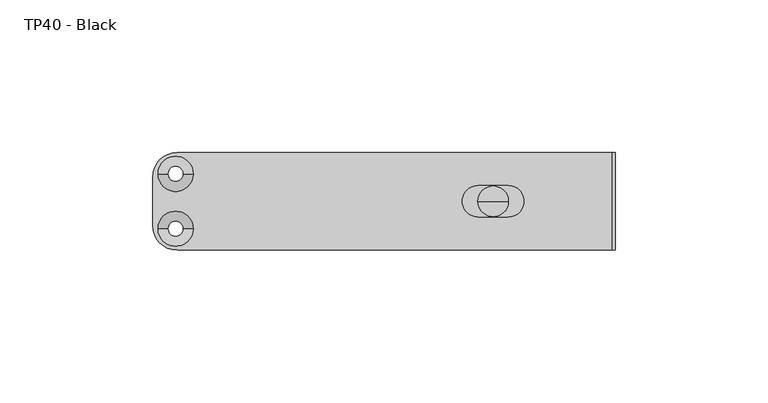
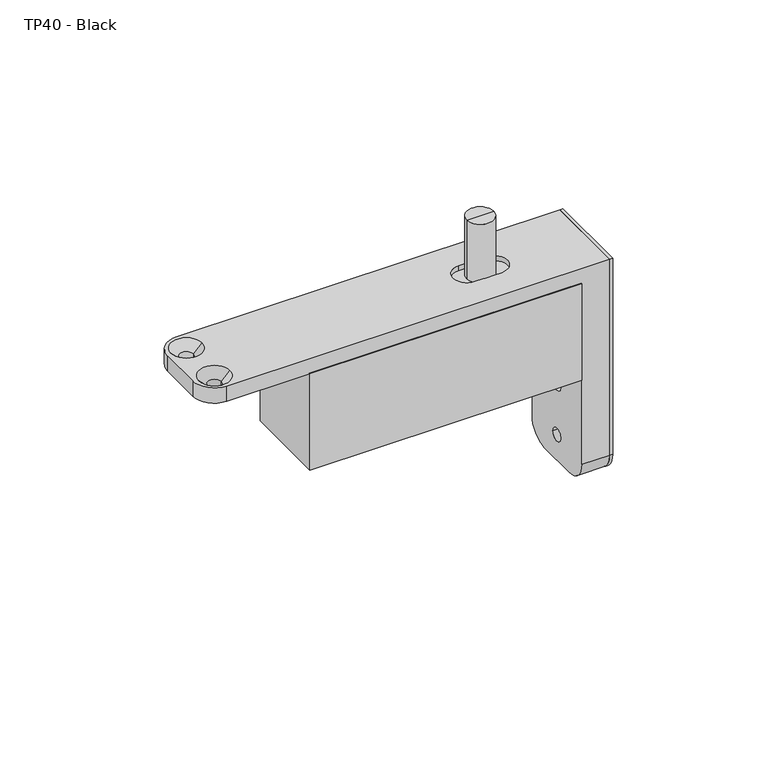
"""IFC4 building model written with IfcOpenShell, lengths in millimetres: proxy geometry, TP40 - Black."""

from ifc_helpers import new_model, si_unit, point, frame, frame_2d, origin, place, context, project, spatial, polyline, circle_curve, trimmed, segment, composite_curve, outline, extrude, source, transform, mapped, element, save
from ifc_brep_helpers import plane_surface, cylinder_surface, revolved_surface, advanced_brep


def tp40_black_4995a148(model_context):
    return source(origin(), model_context, "Body", "SolidModel", [
        extrude(outline(composite_curve([segment(polyline([(-16.0, 0.0), (16.0, 0.0), (16.0, -77.0)]), True, "CONTINUOUS"), segment(trimmed(circle_curve(frame_2d((8.0, -77.0)), 8.0), [point((16.0, -77.0))], [point((8.0, -85.0))], False, "CARTESIAN"), True, "CONTINUOUS"), segment(polyline([(8.0, -85.0), (-8.0, -85.0)]), True, "CONTINUOUS"), segment(trimmed(circle_curve(frame_2d((-8.0, -77.0)), 8.0), [point((-8.0, -85.0))], [point((-16.0, -77.0))], False, "CARTESIAN"), True, "CONTINUOUS"), segment(polyline([(-16.0, -77.0), (-16.0, 0.0)]), True, "CONTINUOUS")], self_intersect=False)), frame((39.0, 0.0, 0.0), z_axis=(1.0, 0.0, 0.0), x_axis=(0.0, 1.0, 0.0)), (0.0, 0.0, 1.0), 1.0),
        extrude(outline(polyline([(28.5, -16.0), (-72.5, -16.0), (-72.5, 16.0), (28.5, 16.0), (28.5, -16.0)])), frame((0.0, 0.0, -44.0), z_axis=(0.0, 0.0, 1.0), x_axis=(1.0, 0.0, 0.0)), (0.0, 0.0, 1.0), 38.0),
        advanced_brep(
        [(5.0, 0.0, -2.0), (-5.0, 0.0, -2.0), (-5.0, 0.0, 21.0), (5.0, 0.0, 21.0), (0.0, 0.0, -2.0), (0.0, 0.0, 21.0)],
        [
            (0, 1, circle_curve(frame((0.0, 0.0, -2.0), z_axis=(0.0, 0.0, 1.0), x_axis=(-1.0, 0.0, 0.0)), 5.0)),
            (1, 2),
            (2, 3, circle_curve(frame((0.0, 0.0, 21.0), z_axis=(0.0, 0.0, -1.0), x_axis=(-1.0, 0.0, 0.0)), 5.0)),
            (3, 0),
            (1, 0, circle_curve(frame((0.0, 0.0, -2.0), z_axis=(0.0, 0.0, 1.0), x_axis=(-1.0, 0.0, 0.0)), 5.0)),
            (3, 2, circle_curve(frame((0.0, 0.0, 21.0), z_axis=(0.0, 0.0, -1.0), x_axis=(-1.0, 0.0, 0.0)), 5.0)),
            (4, 1),
            (0, 4),
            (2, 5),
            (5, 3),
        ],
        [
            cylinder_surface(frame((0.0, 0.0, 29.4005806), z_axis=(0.0, 0.0, -1.0), x_axis=(-1.0, 0.0, 0.0)), 5.0),
            plane_surface(frame((0.0, 0.0, -2.0), z_axis=(0.0, 0.0, -1.0), x_axis=(-1.0, 0.0, 0.0))),
            plane_surface(frame((0.0, 0.0, 21.0), z_axis=(0.0, 0.0, 1.0), x_axis=(-1.0, 0.0, 0.0))),
        ],
        [
            (0, [[1, 2, 3, 4]]),
            (0, [[5, -4, 6, -2]]),
            (1, [[7, -1, 8]]),
            (1, [[-8, -5, -7]]),
            (2, [[-3, 9, 10]]),
            (2, [[-6, -10, -9]]),
        ],
    ),
        advanced_brep(
        [(-103.5, -16.0, -6.0), (28.5, -16.0, -6.0), (28.5, -16.0, -77.0), (39.0, -16.0, -77.0), (39.0, -16.0, 0.0), (-103.5, -16.0, 0.0), (-103.5, 16.0, 0.0), (39.0, 16.0, 0.0), (39.0, 16.0, -77.0), (28.5, 16.0, -77.0), (28.5, 16.0, -6.0), (-103.5, 16.0, -6.0), (-111.5, -8.0, 0.0), (-111.5, 8.0, 0.0), (-111.5, 8.0, -6.0), (-111.5, -8.0, -6.0), (-109.75, 9.0, 0.0), (-98.25, 9.0, 0.0), (-98.25, -9.0, 0.0), (-109.75, -9.0, 0.0), (-5.0, 5.1, 0.0), (5.0, 5.1, 0.0), (5.0, -5.1, 0.0), (-5.0, -5.1, 0.0), (39.0, -8.0, -85.0), (39.0, 8.0, -85.0), (-101.5, 9.0, -6.0), (-106.5, 9.0, -6.0), (-106.5, -9.0, -6.0), (-101.5, -9.0, -6.0), (-101.5, 9.0, -3.25), (-106.5, 9.0, -3.25), (-101.5, -9.0, -3.25), (-106.5, -9.0, -3.25), (5.0, 5.1, -2.0), (-5.0, 5.1, -2.0), (-5.0, -5.1, -2.0), (5.0, -5.1, -2.0), (28.5, 8.0, -85.0), (28.5, -8.0, -85.0), (28.5, -2.5, -55.0), (28.5, 2.5, -55.0), (28.5, -2.5, -75.0), (28.5, 2.5, -75.0), (35.7536635, -2.5, -55.0), (35.7536635, 0.0, -55.0), (35.7536635, 2.5, -55.0), (35.7536635, -2.5, -75.0), (35.7536635, 0.0, -75.0), (35.7536635, 2.5, -75.0)],
        [
            (0, 1),
            (1, 2),
            (2, 3),
            (3, 4),
            (4, 5),
            (5, 0),
            (6, 7),
            (7, 8),
            (8, 9),
            (9, 10),
            (10, 11),
            (11, 6),
            (12, 13),
            (13, 14),
            (14, 15),
            (15, 12),
            (4, 7),
            (6, 13, circle_curve(frame((-103.5, 8.0, 0.0), z_axis=(0.0, 0.0, 1.0), x_axis=(0.0, -1.0, 0.0)), 8.0)),
            (12, 5, circle_curve(frame((-103.5, -8.0, 0.0), z_axis=(0.0, 0.0, 1.0), x_axis=(0.0, -1.0, 0.0)), 8.0)),
            (16, 17, circle_curve(frame((-104.0, 9.0, 0.0), z_axis=(0.0, 0.0, -1.0), x_axis=(-1.0, 0.0, 0.0)), 5.75)),
            (17, 16, circle_curve(frame((-104.0, 9.0, 0.0), z_axis=(0.0, 0.0, -1.0), x_axis=(-1.0, 0.0, 0.0)), 5.75)),
            (18, 19, circle_curve(frame((-104.0, -9.0, 0.0), z_axis=(0.0, 0.0, -1.0), x_axis=(-1.0, 0.0, 0.0)), 5.75)),
            (19, 18, circle_curve(frame((-104.0, -9.0, 0.0), z_axis=(0.0, 0.0, -1.0), x_axis=(-1.0, 0.0, 0.0)), 5.75)),
            (20, 21),
            (21, 22, circle_curve(frame((5.0, 0.0, 0.0), z_axis=(0.0, 0.0, -1.0), x_axis=(0.0, -1.0, 0.0)), 5.1)),
            (22, 23),
            (23, 20, circle_curve(frame((-5.0, 0.0, 0.0), z_axis=(0.0, 0.0, -1.0), x_axis=(0.0, -1.0, 0.0)), 5.1)),
            (3, 24, circle_curve(frame((39.0, -8.0, -77.0), z_axis=(1.0, 0.0, 0.0), x_axis=(0.0, 0.0, -1.0)), 8.0)),
            (24, 25),
            (25, 8, circle_curve(frame((39.0, 8.0, -77.0), z_axis=(1.0, 0.0, 0.0), x_axis=(0.0, 0.0, -1.0)), 8.0)),
            (10, 1),
            (0, 15, circle_curve(frame((-103.5, -8.0, -6.0), z_axis=(0.0, 0.0, -1.0), x_axis=(0.0, -1.0, 0.0)), 8.0)),
            (14, 11, circle_curve(frame((-103.5, 8.0, -6.0), z_axis=(0.0, 0.0, -1.0), x_axis=(0.0, -1.0, 0.0)), 8.0)),
            (26, 27, circle_curve(frame((-104.0, 9.0, -6.0), z_axis=(0.0, 0.0, 1.0), x_axis=(-1.0, 0.0, 0.0)), 2.5)),
            (27, 26, circle_curve(frame((-104.0, 9.0, -6.0), z_axis=(0.0, 0.0, 1.0), x_axis=(-1.0, 0.0, 0.0)), 2.5)),
            (28, 29, circle_curve(frame((-104.0, -9.0, -6.0), z_axis=(0.0, 0.0, 1.0), x_axis=(-1.0, 0.0, 0.0)), 2.5)),
            (29, 28, circle_curve(frame((-104.0, -9.0, -6.0), z_axis=(0.0, 0.0, 1.0), x_axis=(-1.0, 0.0, 0.0)), 2.5)),
            (26, 30),
            (30, 31, circle_curve(frame((-104.0, 9.0, -3.25), z_axis=(0.0, 0.0, 1.0), x_axis=(-1.0, 0.0, 0.0)), 2.5)),
            (31, 27),
            (31, 30, circle_curve(frame((-104.0, 9.0, -3.25), z_axis=(0.0, 0.0, 1.0), x_axis=(-1.0, 0.0, 0.0)), 2.5)),
            (30, 17),
            (16, 31),
            (32, 29),
            (28, 33),
            (33, 32, circle_curve(frame((-104.0, -9.0, -3.25), z_axis=(0.0, 0.0, 1.0), x_axis=(-1.0, 0.0, 0.0)), 2.5)),
            (32, 33, circle_curve(frame((-104.0, -9.0, -3.25), z_axis=(0.0, 0.0, 1.0), x_axis=(-1.0, 0.0, 0.0)), 2.5)),
            (33, 19),
            (18, 32),
            (34, 35),
            (35, 36, circle_curve(frame((-5.0, 0.0, -2.0), z_axis=(0.0, 0.0, 1.0), x_axis=(0.0, -1.0, 0.0)), 5.1)),
            (36, 37),
            (37, 34, circle_curve(frame((5.0, 0.0, -2.0), z_axis=(0.0, 0.0, 1.0), x_axis=(0.0, -1.0, 0.0)), 5.1)),
            (34, 21),
            (20, 35),
            (23, 36),
            (22, 37),
            (9, 38, circle_curve(frame((28.5, 8.0, -77.0), z_axis=(-1.0, 0.0, 0.0), x_axis=(0.0, 0.0, -1.0)), 8.0)),
            (38, 39),
            (39, 2, circle_curve(frame((28.5, -8.0, -77.0), z_axis=(-1.0, 0.0, 0.0), x_axis=(0.0, 0.0, -1.0)), 8.0)),
            (40, 41, circle_curve(frame((28.5, 0.0, -55.0), z_axis=(1.0, 0.0, 0.0), x_axis=(0.0, 1.0, 0.0)), 2.5)),
            (41, 40, circle_curve(frame((28.5, 0.0, -55.0), z_axis=(1.0, 0.0, 0.0), x_axis=(0.0, 1.0, 0.0)), 2.5)),
            (42, 43, circle_curve(frame((28.5, 0.0, -75.0), z_axis=(1.0, 0.0, 0.0), x_axis=(0.0, 1.0, 0.0)), 2.5)),
            (43, 42, circle_curve(frame((28.5, 0.0, -75.0), z_axis=(1.0, 0.0, 0.0), x_axis=(0.0, 1.0, 0.0)), 2.5)),
            (24, 39),
            (38, 25),
            (44, 45),
            (45, 46),
            (46, 44, circle_curve(frame((35.7536635, 0.0, -55.0), z_axis=(-1.0, 0.0, 0.0), x_axis=(0.0, 1.0, 0.0)), 2.5)),
            (44, 46, circle_curve(frame((35.7536635, 0.0, -55.0), z_axis=(-1.0, 0.0, 0.0), x_axis=(0.0, 1.0, 0.0)), 2.5)),
            (46, 41),
            (40, 44),
            (47, 48),
            (48, 49),
            (49, 47, circle_curve(frame((35.7536635, 0.0, -75.0), z_axis=(-1.0, 0.0, 0.0), x_axis=(0.0, 1.0, 0.0)), 2.5)),
            (47, 49, circle_curve(frame((35.7536635, 0.0, -75.0), z_axis=(-1.0, 0.0, 0.0), x_axis=(0.0, 1.0, 0.0)), 2.5)),
            (49, 43),
            (42, 47),
        ],
        [
            plane_surface(frame((-62.0, -16.0, -6.0), z_axis=(0.0, -1.0, 0.0), x_axis=(1.0, 0.0, 0.0))),
            plane_surface(frame((-62.0, 16.0, -6.0), z_axis=(0.0, 1.0, 0.0), x_axis=(-1.0, 0.0, 0.0))),
            plane_surface(frame((-111.5, -16.0, 0.0), z_axis=(-1.0, 0.0, 0.0), x_axis=(0.0, 1.0, 0.0))),
            plane_surface(frame((39.0, -16.0, 0.0), z_axis=(0.0, 0.0, 1.0), x_axis=(0.0, 1.0, 0.0))),
            plane_surface(frame((39.0, -16.0, -85.0), z_axis=(1.0, 0.0, 0.0), x_axis=(0.0, 1.0, 0.0))),
            plane_surface(frame((-111.5, -16.0, -6.0), z_axis=(0.0, 0.0, -1.0), x_axis=(0.0, 1.0, 0.0))),
            cylinder_surface(frame((-103.5, -8.0, -7.0), z_axis=(0.0, 0.0, -1.0), x_axis=(0.0, -1.0, 0.0)), 8.0),
            cylinder_surface(frame((-103.5, 8.0, 0.0), z_axis=(0.0, 0.0, -1.0), x_axis=(0.0, -1.0, 0.0)), 8.0),
            revolved_surface(polyline([(-106.5, 9.0, -6.0), (-106.5, 9.0, -3.2499999999999996)]), (-104.0, 9.0, 2.7351973), (0.0, 0.0, -1.0)),
            revolved_surface(polyline([(-106.5, 9.0, -3.25), (-109.75, 9.0, 0.0)]), (-104.0, 9.0, 2.7351973), (0.0, 0.0, -1.0)),
            revolved_surface(polyline([(-106.5, -9.0, -3.2499999999999996), (-106.5, -9.0, -6.0)]), (-104.0, -9.0, 2.7351973), (0.0, 0.0, 1.0)),
            revolved_surface(polyline([(-109.75, -9.0, 0.0), (-106.5, -9.0, -3.25)]), (-104.0, -9.0, 2.7351973), (0.0, 0.0, 1.0)),
            plane_surface(frame((0.0, 0.0, -2.0), z_axis=(0.0, 0.0, 1.0), x_axis=(0.0, -1.0, 0.0))),
            plane_surface(frame((5.0, 5.1, 0.0), z_axis=(0.0, -1.0, 0.0), x_axis=(0.0, 0.0, -1.0))),
            revolved_surface(polyline([(-5.0, -5.1, 0.0), (-5.0, -5.1, -2.0)]), (-5.0, 0.0, 0.0), (0.0, 0.0, 1.0)),
            plane_surface(frame((-5.0, -5.1, 0.0), z_axis=(0.0, 1.0, 0.0), x_axis=(0.0, 0.0, -1.0))),
            revolved_surface(polyline([(5.0, -5.1, 0.0), (5.0, -5.1, -2.0)]), (5.0, 0.0, 0.0), (0.0, 0.0, 1.0)),
            plane_surface(frame((28.5, -16.0, -6.0), z_axis=(-1.0, 0.0, 0.0), x_axis=(0.0, 1.0, 0.0))),
            plane_surface(frame((28.5, -16.0, -85.0), z_axis=(0.0, 0.0, -1.0), x_axis=(0.0, 1.0, 0.0))),
            cylinder_surface(frame((28.5, -8.0, -77.0), z_axis=(-1.0, 0.0, 0.0), x_axis=(0.0, 0.0, -1.0)), 8.0),
            cylinder_surface(frame((40.0, 8.0, -77.0), z_axis=(-1.0, 0.0, 0.0), x_axis=(0.0, 0.0, -1.0)), 8.0),
            plane_surface(frame((35.7536635, 0.0, -55.0), z_axis=(-1.0, 0.0, 0.0), x_axis=(0.0, 1.0, 0.0))),
            revolved_surface(polyline([(28.5, 2.5, -55.0), (35.7536635, 2.5, -55.0)]), (49.2693834, 0.0, -55.0), (-1.0, 0.0, 0.0)),
            plane_surface(frame((35.7536635, 0.0, -75.0), z_axis=(-1.0, 0.0, 0.0), x_axis=(0.0, 1.0, 0.0))),
            revolved_surface(polyline([(28.5, 2.5, -75.0), (35.7536635, 2.5, -75.0)]), (49.2693834, 0.0, -75.0), (-1.0, 0.0, 0.0)),
        ],
        [
            (0, [[1, 2, 3, 4, 5, 6]]),
            (1, [[7, 8, 9, 10, 11, 12]]),
            (2, [[13, 14, 15, 16]]),
            (3, [[17, -7, 18, -13, 19, -5], [20, 21], [22, 23], [24, 25, 26, 27]]),
            (4, [[-17, -4, 28, 29, 30, -8]]),
            (5, [[31, -1, 32, -15, 33, -11], [34, 35], [36, 37]]),
            (6, [[-6, -19, -16, -32]]),
            (7, [[-12, -33, -14, -18]]),
            (8, [[38, 39, 40, -34]]),
            (8, [[-38, -35, -40, 41]]),
            (9, [[-39, 42, -20, 43]]),
            (9, [[-41, -43, -21, -42]]),
            (10, [[44, -36, 45, 46]]),
            (10, [[-44, 47, -45, -37]]),
            (11, [[-46, 48, -22, 49]]),
            (11, [[-47, -49, -23, -48]]),
            (12, [[50, 51, 52, 53]]),
            (13, [[-50, 54, -24, 55]]),
            (14, [[-51, -55, -27, 56]]),
            (15, [[-52, -56, -26, 57]]),
            (16, [[-53, -57, -25, -54]]),
            (17, [[-31, -10, 58, 59, 60, -2], [61, 62], [63, 64]]),
            (18, [[-29, 65, -59, 66]]),
            (19, [[-3, -60, -65, -28]]),
            (20, [[-9, -30, -66, -58]]),
            (21, [[67, 68, 69]]),
            (21, [[-67, 70, -68]]),
            (22, [[-69, 71, -61, 72]]),
            (22, [[-70, -72, -62, -71]]),
            (23, [[73, 74, 75]]),
            (23, [[-73, 76, -74]]),
            (24, [[-75, 77, -63, 78]]),
            (24, [[-76, -78, -64, -77]]),
        ],
    ),
    ])


if __name__ == "__main__":
    model = new_model("IFC4")
    model_context = context("Model", 3, world=origin())
    ifc_project = project(units=[si_unit("LENGTHUNIT", "METRE", prefix="MILLI")], contexts=[model_context])
    site = spatial("IfcSite", under=ifc_project)
    building = spatial("IfcBuilding", under=site)
    placement = place(None, origin())
    tp40_black_shape = tp40_black_4995a148(model_context)
    element("IfcBuildingElementProxy", 1, Name="TP40 - Black", ObjectType="TP40 - Black", at=placement, inside=building, context=model_context, shape_type="MappedRepresentation", body=[
        mapped(tp40_black_shape, transform((0.0, 0.0, 0.0), x_axis=(1.0, 0.0, 0.0), y_axis=(0.0, 1.0, 0.0), z_axis=(0.0, 0.0, 1.0))),
    ])
    save(model, "model.ifc")
